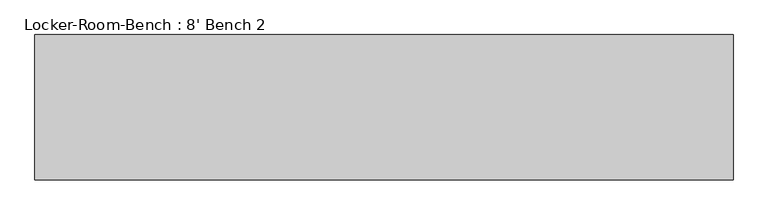
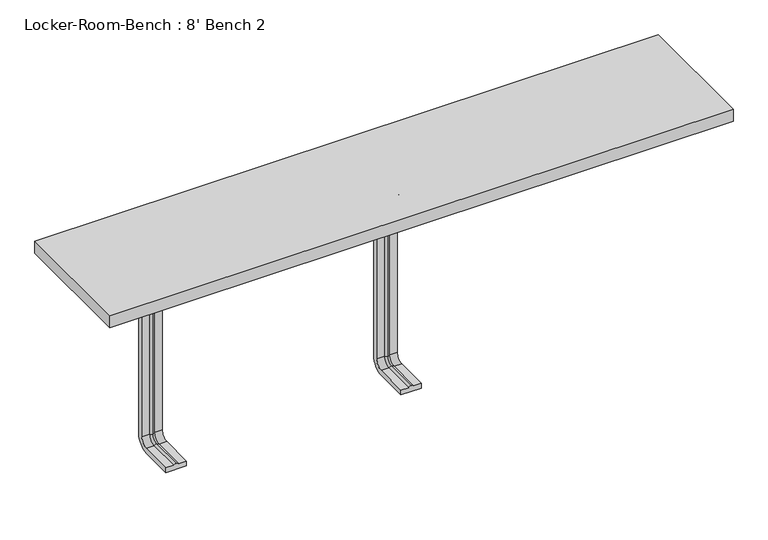
"""IFC4 building model written with IfcOpenShell, lengths in millimetres: proxy geometry, Locker-Room-Bench : 8' Bench 2."""

from ifc_helpers import new_model, si_unit, point, frame, origin, place, context, project, spatial, polyline, circle_curve, ellipse_curve, trimmed, outline, extrude, source, transform, mapped, element, save
from ifc_brep_helpers import plane_surface, cylinder_surface, revolved_surface, advanced_brep


def locker_room_bench_8_bench_2_20eed866(model_context):
    return source(origin(), model_context, "Body", "SolidModel", [
        advanced_brep(
        [(-439.6, -92.0, 381.4), (-479.6, -92.0, 381.4), (-479.6, -92.0, 371.4), (-464.6, -92.0, 371.4), (-459.6, -92.0, 369.0684617), (-454.6, -92.0, 371.4), (-439.6, -92.0, 371.4), (-439.6, -25.0, 381.4), (-479.6, -25.0, 381.4), (-479.6, 0.0, 356.4), (-479.6, 0.0, 40.0), (-479.6, -25.0, 15.0), (-479.6, -92.0, 15.0), (-479.6, -92.0, 25.0), (-479.6, -25.0, 25.0), (-479.6, -10.0, 40.0), (-479.6, -10.0, 356.4), (-479.6, -25.0, 371.4), (-464.6, -25.0, 371.4), (-459.6, -25.0, 369.0684617), (-454.6, -25.0, 371.4), (-439.6, -25.0, 371.4), (-439.6, -10.0, 356.4), (-439.6, -10.0, 40.0), (-439.6, -25.0, 25.0), (-439.6, -92.0, 25.0), (-439.6, -92.0, 15.0), (-439.6, -25.0, 15.0), (-439.6, 0.0, 40.0), (-439.6, 0.0, 356.4), (-464.6, -10.0, 356.4), (-459.6, -12.3315383, 356.4), (-454.6, -10.0, 356.4), (-464.6, -10.0, 40.0), (-459.6, -12.3315383, 40.0), (-454.6, -10.0, 40.0), (-464.6, -25.0, 25.0), (-459.6, -25.0, 27.3315383), (-454.6, -25.0, 25.0), (-454.6, -92.0, 25.0), (-459.6, -92.0, 27.3315383), (-464.6, -92.0, 25.0)],
        [
            (0, 1),
            (1, 2),
            (2, 3),
            (3, 4, circle_curve(frame((-459.8996409, -92.0, 374.9529162), z_axis=(0.0, -1.0, 0.0), x_axis=(0.0, 0.0, 1.0)), 5.8920785)),
            (4, 5, circle_curve(frame((-459.3003591, -92.0, 374.9529162), z_axis=(0.0, -1.0, 0.0), x_axis=(0.0, 0.0, 1.0)), 5.8920785)),
            (5, 6),
            (6, 0),
            (0, 7),
            (7, 8),
            (8, 1),
            (8, 9, circle_curve(frame((-479.6, -25.0, 356.4), z_axis=(-1.0, 0.0, 0.0), x_axis=(0.0, 0.0, 1.0)), 25.0)),
            (9, 10),
            (10, 11, circle_curve(frame((-479.6, -25.0, 40.0), z_axis=(-1.0, 0.0, 0.0), x_axis=(0.0, 1.0, 0.0)), 25.0)),
            (11, 12),
            (12, 13),
            (13, 14),
            (14, 15, circle_curve(frame((-479.6, -25.0, 40.0), z_axis=(1.0, 0.0, 0.0), x_axis=(0.0, 1.0, 0.0)), 15.0)),
            (15, 16),
            (16, 17, circle_curve(frame((-479.6, -25.0, 356.4), z_axis=(1.0, 0.0, 0.0), x_axis=(0.0, 0.0, 1.0)), 15.0)),
            (17, 2),
            (17, 18),
            (18, 3),
            (18, 19, circle_curve(frame((-459.8996409, -25.0, 374.9529162), z_axis=(0.0, -1.0, 0.0), x_axis=(0.0, 0.0, 1.0)), 5.8920785)),
            (19, 4),
            (19, 20, circle_curve(frame((-459.3003591, -25.0, 374.9529162), z_axis=(0.0, -1.0, 0.0), x_axis=(0.0, 0.0, 1.0)), 5.8920785)),
            (20, 5),
            (20, 21),
            (21, 6),
            (21, 22, circle_curve(frame((-439.6, -25.0, 356.4), z_axis=(-1.0, 0.0, 0.0), x_axis=(0.0, 0.0, 1.0)), 15.0)),
            (22, 23),
            (23, 24, circle_curve(frame((-439.6, -25.0, 40.0), z_axis=(-1.0, 0.0, 0.0), x_axis=(0.0, 1.0, 0.0)), 15.0)),
            (24, 25),
            (25, 26),
            (26, 27),
            (27, 28, circle_curve(frame((-439.6, -25.0, 40.0), z_axis=(1.0, 0.0, 0.0), x_axis=(0.0, 1.0, 0.0)), 25.0)),
            (28, 29),
            (29, 7, circle_curve(frame((-439.6, -25.0, 356.4), z_axis=(1.0, 0.0, 0.0), x_axis=(0.0, 0.0, 1.0)), 25.0)),
            (29, 9),
            (30, 18, circle_curve(frame((-464.6, -25.0, 356.4), z_axis=(1.0, 0.0, 0.0), x_axis=(0.0, 0.0, 1.0)), 15.0)),
            (16, 30),
            (31, 19, circle_curve(frame((-459.6, -25.0, 356.4), z_axis=(1.0, 0.0, 0.0), x_axis=(0.0, 0.0, 1.0)), 12.6684617)),
            (30, 31, circle_curve(frame((-459.8996409, -6.4470838, 356.4), z_axis=(0.0, 0.0, 1.0), x_axis=(0.0, 1.0, 0.0)), 5.8920785)),
            (32, 20, circle_curve(frame((-454.6, -25.0, 356.4), z_axis=(1.0, 0.0, 0.0), x_axis=(0.0, 0.0, 1.0)), 15.0)),
            (31, 32, circle_curve(frame((-459.3003591, -6.4470838, 356.4), z_axis=(0.0, 0.0, 1.0), x_axis=(0.0, 1.0, 0.0)), 5.8920785)),
            (32, 22),
            (28, 10),
            (15, 33),
            (33, 30),
            (33, 34, circle_curve(frame((-459.8996409, -6.4470838, 40.0), z_axis=(0.0, 0.0, 1.0), x_axis=(0.0, 1.0, 0.0)), 5.8920785)),
            (34, 31),
            (34, 35, circle_curve(frame((-459.3003591, -6.4470838, 40.0), z_axis=(0.0, 0.0, 1.0), x_axis=(0.0, 1.0, 0.0)), 5.8920785)),
            (35, 32),
            (35, 23),
            (27, 11),
            (36, 33, circle_curve(frame((-464.6, -25.0, 40.0), z_axis=(1.0, 0.0, 0.0), x_axis=(0.0, 1.0, 0.0)), 15.0)),
            (14, 36),
            (37, 34, circle_curve(frame((-459.6, -25.0, 40.0), z_axis=(1.0, 0.0, 0.0), x_axis=(0.0, 1.0, 0.0)), 12.6684617)),
            (36, 37, circle_curve(frame((-459.8996409, -25.0, 21.4470838), z_axis=(0.0, 1.0, 0.0), x_axis=(0.0, 0.0, -1.0)), 5.8920785)),
            (38, 35, circle_curve(frame((-454.6, -25.0, 40.0), z_axis=(1.0, 0.0, 0.0), x_axis=(0.0, 1.0, 0.0)), 15.0)),
            (37, 38, circle_curve(frame((-459.3003591, -25.0, 21.4470838), z_axis=(0.0, 1.0, 0.0), x_axis=(0.0, 0.0, -1.0)), 5.8920785)),
            (38, 24),
            (25, 39),
            (39, 40, circle_curve(frame((-459.3003591, -92.0, 21.4470838), z_axis=(0.0, -1.0, 0.0), x_axis=(0.0, 0.0, -1.0)), 5.8920785)),
            (40, 41, circle_curve(frame((-459.8996409, -92.0, 21.4470838), z_axis=(0.0, -1.0, 0.0), x_axis=(0.0, 0.0, -1.0)), 5.8920785)),
            (41, 13),
            (12, 26),
            (41, 36),
            (40, 37),
            (39, 38),
        ],
        [
            plane_surface(frame((-459.6, -92.0, 381.4), z_axis=(0.0, -1.0, 0.0), x_axis=(1.0, 0.0, 0.0))),
            plane_surface(frame((-439.6, -92.0, 381.4), z_axis=(0.0, 0.0, 1.0), x_axis=(0.0, 1.0, 0.0))),
            plane_surface(frame((-479.6, -92.0, 381.4), z_axis=(-1.0, 0.0, 0.0), x_axis=(0.0, 1.0, 0.0))),
            plane_surface(frame((-479.6, -92.0, 371.4), z_axis=(0.0, 0.0, -1.0), x_axis=(0.0, 1.0, 0.0))),
            cylinder_surface(frame((-459.8996409, -92.0, 374.9529162), z_axis=(0.0, -1.0, 0.0), x_axis=(0.0, 0.0, 1.0)), 5.8920785),
            cylinder_surface(frame((-459.3003591, -92.0, 374.9529162), z_axis=(0.0, -1.0, 0.0), x_axis=(0.0, 0.0, 1.0)), 5.8920785),
            plane_surface(frame((-454.6, -92.0, 371.4), z_axis=(0.0, 0.0, -1.0), x_axis=(0.0, 1.0, 0.0))),
            plane_surface(frame((-439.6, -92.0, 371.4), z_axis=(1.0, 0.0, 0.0), x_axis=(0.0, 1.0, 0.0))),
            cylinder_surface(frame((-459.6, -25.0, 356.4), z_axis=(-1.0, 0.0, 0.0), x_axis=(0.0, 0.0, 1.0)), 25.0),
            revolved_surface(polyline([(-479.6, -25.0, 371.4), (-464.6, -25.0, 371.4)]), (-459.6, -25.0, 356.4), (-1.0, 0.0, 0.0)),
            revolved_surface(trimmed(ellipse_curve(frame((-459.8996409, -25.0, 374.9529162), z_axis=(0.0, -1.0, 0.0), x_axis=(0.0, 0.0, 1.0)), 5.8920785, 5.8920785), [point((-464.6, -25.0, 371.4))], [point((-459.6, -25.0, 369.0684617))], True, "CARTESIAN"), (-459.6, -25.0, 356.4), (-1.0, 0.0, 0.0)),
            revolved_surface(trimmed(ellipse_curve(frame((-459.3003591, -25.0, 374.9529162), z_axis=(0.0, -1.0, 0.0), x_axis=(0.0, 0.0, 1.0)), 5.8920785, 5.8920785), [point((-459.6, -25.0, 369.0684617))], [point((-454.6, -25.0, 371.4))], True, "CARTESIAN"), (-459.6, -25.0, 356.4), (-1.0, 0.0, 0.0)),
            revolved_surface(polyline([(-454.6, -25.0, 371.4), (-439.6, -25.0, 371.4)]), (-459.6, -25.0, 356.4), (-1.0, 0.0, 0.0)),
            plane_surface(frame((-439.6, 0.0, 356.4), z_axis=(0.0, 1.0, 0.0), x_axis=(0.0, 0.0, -1.0))),
            plane_surface(frame((-479.6, -10.0, 356.4), z_axis=(0.0, -1.0, 0.0), x_axis=(0.0, 0.0, -1.0))),
            cylinder_surface(frame((-459.8996409, -6.4470838, 356.4), z_axis=(0.0, 0.0, 1.0), x_axis=(0.0, 1.0, 0.0)), 5.8920785),
            cylinder_surface(frame((-459.3003591, -6.4470838, 356.4), z_axis=(0.0, 0.0, 1.0), x_axis=(0.0, 1.0, 0.0)), 5.8920785),
            plane_surface(frame((-454.6, -10.0, 356.4), z_axis=(0.0, -1.0, 0.0), x_axis=(0.0, 0.0, -1.0))),
            cylinder_surface(frame((-459.6, -25.0, 40.0), z_axis=(-1.0, 0.0, 0.0), x_axis=(0.0, 1.0, 0.0)), 25.0),
            revolved_surface(polyline([(-479.6, -10.0, 40.0), (-464.6, -10.0, 40.0)]), (-459.6, -25.0, 40.0), (-1.0, 0.0, 0.0)),
            revolved_surface(trimmed(ellipse_curve(frame((-459.8996409, -6.4470838, 40.0), z_axis=(0.0, 0.0, 1.0), x_axis=(0.0, 1.0, 0.0)), 5.8920785, 5.8920785), [point((-464.6, -10.0, 40.0))], [point((-459.6, -12.3315383, 40.0))], True, "CARTESIAN"), (-459.6, -25.0, 40.0), (-1.0, 0.0, 0.0)),
            revolved_surface(trimmed(ellipse_curve(frame((-459.3003591, -6.4470838, 40.0), z_axis=(0.0, 0.0, 1.0), x_axis=(0.0, 1.0, 0.0)), 5.8920785, 5.8920785), [point((-459.6, -12.3315383, 40.0))], [point((-454.6, -10.0, 40.0))], True, "CARTESIAN"), (-459.6, -25.0, 40.0), (-1.0, 0.0, 0.0)),
            revolved_surface(polyline([(-454.6, -10.0, 40.0), (-439.6, -10.0, 40.0)]), (-459.6, -25.0, 40.0), (-1.0, 0.0, 0.0)),
            plane_surface(frame((-459.6, -92.0, 15.0), z_axis=(0.0, -1.0, 0.0), x_axis=(1.0, 0.0, 0.0))),
            plane_surface(frame((-439.6, -25.0, 15.0), z_axis=(0.0, 0.0, -1.0), x_axis=(0.0, -1.0, 0.0))),
            plane_surface(frame((-479.6, -25.0, 25.0), z_axis=(0.0, 0.0, 1.0), x_axis=(0.0, -1.0, 0.0))),
            cylinder_surface(frame((-459.8996409, -25.0, 21.4470838), z_axis=(0.0, 1.0, 0.0), x_axis=(0.0, 0.0, -1.0)), 5.8920785),
            cylinder_surface(frame((-459.3003591, -25.0, 21.4470838), z_axis=(0.0, 1.0, 0.0), x_axis=(0.0, 0.0, -1.0)), 5.8920785),
            plane_surface(frame((-454.6, -25.0, 25.0), z_axis=(0.0, 0.0, 1.0), x_axis=(0.0, -1.0, 0.0))),
        ],
        [
            (0, [[1, 2, 3, 4, 5, 6, 7]]),
            (1, [[-1, 8, 9, 10]]),
            (2, [[-2, -10, 11, 12, 13, 14, 15, 16, 17, 18, 19, 20]]),
            (3, [[-3, -20, 21, 22]]),
            (4, [[-4, -22, 23, 24]]),
            (5, [[-5, -24, 25, 26]]),
            (6, [[-6, -26, 27, 28]]),
            (7, [[-7, -28, 29, 30, 31, 32, 33, 34, 35, 36, 37, -8]]),
            (8, [[-11, -9, -37, 38]]),
            (9, [[39, -21, -19, 40]]),
            (10, [[41, -23, -39, 42]]),
            (11, [[43, -25, -41, 44]]),
            (12, [[-29, -27, -43, 45]]),
            (13, [[-38, -36, 46, -12]]),
            (14, [[-40, -18, 47, 48]]),
            (15, [[-42, -48, 49, 50]]),
            (16, [[-44, -50, 51, 52]]),
            (17, [[-45, -52, 53, -30]]),
            (18, [[-13, -46, -35, 54]]),
            (19, [[55, -47, -17, 56]]),
            (20, [[57, -49, -55, 58]]),
            (21, [[59, -51, -57, 60]]),
            (22, [[-31, -53, -59, 61]]),
            (23, [[-33, 62, 63, 64, 65, -15, 66]]),
            (24, [[-54, -34, -66, -14]]),
            (25, [[-56, -16, -65, 67]]),
            (26, [[-58, -67, -64, 68]]),
            (27, [[-60, -68, -63, 69]]),
            (28, [[-61, -69, -62, -32]]),
        ],
    ),
        advanced_brep(
        [(20.0, -92.0, 381.4), (-20.0, -92.0, 381.4), (-20.0, -92.0, 371.4), (-5.0, -92.0, 371.4), (0.0, -92.0, 369.0684617), (5.0, -92.0, 371.4), (20.0, -92.0, 371.4), (20.0, -25.0, 381.4), (-20.0, -25.0, 381.4), (-20.0, 0.0, 356.4), (-20.0, 0.0, 40.0), (-20.0, -25.0, 15.0), (-20.0, -92.0, 15.0), (-20.0, -92.0, 25.0), (-20.0, -25.0, 25.0), (-20.0, -10.0, 40.0), (-20.0, -10.0, 356.4), (-20.0, -25.0, 371.4), (-5.0, -25.0, 371.4), (0.0, -25.0, 369.0684617), (5.0, -25.0, 371.4), (20.0, -25.0, 371.4), (20.0, -10.0, 356.4), (20.0, -10.0, 40.0), (20.0, -25.0, 25.0), (20.0, -92.0, 25.0), (20.0, -92.0, 15.0), (20.0, -25.0, 15.0), (20.0, 0.0, 40.0), (20.0, 0.0, 356.4), (-5.0, -10.0, 356.4), (0.0, -12.3315383, 356.4), (5.0, -10.0, 356.4), (-5.0, -10.0, 40.0), (0.0, -12.3315383, 40.0), (5.0, -10.0, 40.0), (-5.0, -25.0, 25.0), (0.0, -25.0, 27.3315383), (5.0, -25.0, 25.0), (5.0, -92.0, 25.0), (0.0, -92.0, 27.3315383), (-5.0, -92.0, 25.0)],
        [
            (0, 1),
            (1, 2),
            (2, 3),
            (3, 4, circle_curve(frame((-0.2996409, -92.0, 374.9529162), z_axis=(0.0, -1.0, 0.0), x_axis=(0.0, 0.0, 1.0)), 5.8920785)),
            (4, 5, circle_curve(frame((0.2996409, -92.0, 374.9529162), z_axis=(0.0, -1.0, 0.0), x_axis=(0.0, 0.0, 1.0)), 5.8920785)),
            (5, 6),
            (6, 0),
            (0, 7),
            (7, 8),
            (8, 1),
            (8, 9, circle_curve(frame((-20.0, -25.0, 356.4), z_axis=(-1.0, 0.0, 0.0), x_axis=(0.0, 0.0, 1.0)), 25.0)),
            (9, 10),
            (10, 11, circle_curve(frame((-20.0, -25.0, 40.0), z_axis=(-1.0, 0.0, 0.0), x_axis=(0.0, 1.0, 0.0)), 25.0)),
            (11, 12),
            (12, 13),
            (13, 14),
            (14, 15, circle_curve(frame((-20.0, -25.0, 40.0), z_axis=(1.0, 0.0, 0.0), x_axis=(0.0, 1.0, 0.0)), 15.0)),
            (15, 16),
            (16, 17, circle_curve(frame((-20.0, -25.0, 356.4), z_axis=(1.0, 0.0, 0.0), x_axis=(0.0, 0.0, 1.0)), 15.0)),
            (17, 2),
            (17, 18),
            (18, 3),
            (18, 19, circle_curve(frame((-0.2996409, -25.0, 374.9529162), z_axis=(0.0, -1.0, 0.0), x_axis=(0.0, 0.0, 1.0)), 5.8920785)),
            (19, 4),
            (19, 20, circle_curve(frame((0.2996409, -25.0, 374.9529162), z_axis=(0.0, -1.0, 0.0), x_axis=(0.0, 0.0, 1.0)), 5.8920785)),
            (20, 5),
            (20, 21),
            (21, 6),
            (21, 22, circle_curve(frame((20.0, -25.0, 356.4), z_axis=(-1.0, 0.0, 0.0), x_axis=(0.0, 0.0, 1.0)), 15.0)),
            (22, 23),
            (23, 24, circle_curve(frame((20.0, -25.0, 40.0), z_axis=(-1.0, 0.0, 0.0), x_axis=(0.0, 1.0, 0.0)), 15.0)),
            (24, 25),
            (25, 26),
            (26, 27),
            (27, 28, circle_curve(frame((20.0, -25.0, 40.0), z_axis=(1.0, 0.0, 0.0), x_axis=(0.0, 1.0, 0.0)), 25.0)),
            (28, 29),
            (29, 7, circle_curve(frame((20.0, -25.0, 356.4), z_axis=(1.0, 0.0, 0.0), x_axis=(0.0, 0.0, 1.0)), 25.0)),
            (29, 9),
            (30, 18, circle_curve(frame((-5.0, -25.0, 356.4), z_axis=(1.0, 0.0, 0.0), x_axis=(0.0, 0.0, 1.0)), 15.0)),
            (16, 30),
            (31, 19, circle_curve(frame((0.0, -25.0, 356.4), z_axis=(1.0, 0.0, 0.0), x_axis=(0.0, 0.0, 1.0)), 12.6684617)),
            (30, 31, circle_curve(frame((-0.2996409, -6.4470838, 356.4), z_axis=(0.0, 0.0, 1.0), x_axis=(0.0, 1.0, 0.0)), 5.8920785)),
            (32, 20, circle_curve(frame((5.0, -25.0, 356.4), z_axis=(1.0, 0.0, 0.0), x_axis=(0.0, 0.0, 1.0)), 15.0)),
            (31, 32, circle_curve(frame((0.2996409, -6.4470838, 356.4), z_axis=(0.0, 0.0, 1.0), x_axis=(0.0, 1.0, 0.0)), 5.8920785)),
            (32, 22),
            (28, 10),
            (15, 33),
            (33, 30),
            (33, 34, circle_curve(frame((-0.2996409, -6.4470838, 40.0), z_axis=(0.0, 0.0, 1.0), x_axis=(0.0, 1.0, 0.0)), 5.8920785)),
            (34, 31),
            (34, 35, circle_curve(frame((0.2996409, -6.4470838, 40.0), z_axis=(0.0, 0.0, 1.0), x_axis=(0.0, 1.0, 0.0)), 5.8920785)),
            (35, 32),
            (35, 23),
            (27, 11),
            (36, 33, circle_curve(frame((-5.0, -25.0, 40.0), z_axis=(1.0, 0.0, 0.0), x_axis=(0.0, 1.0, 0.0)), 15.0)),
            (14, 36),
            (37, 34, circle_curve(frame((0.0, -25.0, 40.0), z_axis=(1.0, 0.0, 0.0), x_axis=(0.0, 1.0, 0.0)), 12.6684617)),
            (36, 37, circle_curve(frame((-0.2996409, -25.0, 21.4470838), z_axis=(0.0, 1.0, 0.0), x_axis=(0.0, 0.0, -1.0)), 5.8920785)),
            (38, 35, circle_curve(frame((5.0, -25.0, 40.0), z_axis=(1.0, 0.0, 0.0), x_axis=(0.0, 1.0, 0.0)), 15.0)),
            (37, 38, circle_curve(frame((0.2996409, -25.0, 21.4470838), z_axis=(0.0, 1.0, 0.0), x_axis=(0.0, 0.0, -1.0)), 5.8920785)),
            (38, 24),
            (25, 39),
            (39, 40, circle_curve(frame((0.2996409, -92.0, 21.4470838), z_axis=(0.0, -1.0, 0.0), x_axis=(0.0, 0.0, -1.0)), 5.8920785)),
            (40, 41, circle_curve(frame((-0.2996409, -92.0, 21.4470838), z_axis=(0.0, -1.0, 0.0), x_axis=(0.0, 0.0, -1.0)), 5.8920785)),
            (41, 13),
            (12, 26),
            (41, 36),
            (40, 37),
            (39, 38),
        ],
        [
            plane_surface(frame((0.0, -92.0, 381.4), z_axis=(0.0, -1.0, 0.0), x_axis=(1.0, 0.0, 0.0))),
            plane_surface(frame((20.0, -92.0, 381.4), z_axis=(0.0, 0.0, 1.0), x_axis=(0.0, 1.0, 0.0))),
            plane_surface(frame((-20.0, -92.0, 381.4), z_axis=(-1.0, 0.0, 0.0), x_axis=(0.0, 1.0, 0.0))),
            plane_surface(frame((-20.0, -92.0, 371.4), z_axis=(0.0, 0.0, -1.0), x_axis=(0.0, 1.0, 0.0))),
            cylinder_surface(frame((-0.2996409, -92.0, 374.9529162), z_axis=(0.0, -1.0, 0.0), x_axis=(0.0, 0.0, 1.0)), 5.8920785),
            cylinder_surface(frame((0.2996409, -92.0, 374.9529162), z_axis=(0.0, -1.0, 0.0), x_axis=(0.0, 0.0, 1.0)), 5.8920785),
            plane_surface(frame((5.0, -92.0, 371.4), z_axis=(0.0, 0.0, -1.0), x_axis=(0.0, 1.0, 0.0))),
            plane_surface(frame((20.0, -92.0, 371.4), z_axis=(1.0, 0.0, 0.0), x_axis=(0.0, 1.0, 0.0))),
            cylinder_surface(frame((0.0, -25.0, 356.4), z_axis=(-1.0, 0.0, 0.0), x_axis=(0.0, 0.0, 1.0)), 25.0),
            revolved_surface(polyline([(-20.0, -25.0, 371.4), (-5.0, -25.0, 371.4)]), (0.0, -25.0, 356.4), (-1.0, 0.0, 0.0)),
            revolved_surface(trimmed(ellipse_curve(frame((-0.2996409, -25.0, 374.9529162), z_axis=(0.0, -1.0, 0.0), x_axis=(0.0, 0.0, 1.0)), 5.8920785, 5.8920785), [point((-5.0, -25.0, 371.4))], [point((0.0, -25.0, 369.0684617))], True, "CARTESIAN"), (0.0, -25.0, 356.4), (-1.0, 0.0, 0.0)),
            revolved_surface(trimmed(ellipse_curve(frame((0.2996409, -25.0, 374.9529162), z_axis=(0.0, -1.0, 0.0), x_axis=(0.0, 0.0, 1.0)), 5.8920785, 5.8920785), [point((0.0, -25.0, 369.0684617))], [point((5.0, -25.0, 371.4))], True, "CARTESIAN"), (0.0, -25.0, 356.4), (-1.0, 0.0, 0.0)),
            revolved_surface(polyline([(5.0, -25.0, 371.4), (20.0, -25.0, 371.4)]), (0.0, -25.0, 356.4), (-1.0, 0.0, 0.0)),
            plane_surface(frame((20.0, 0.0, 356.4), z_axis=(0.0, 1.0, 0.0), x_axis=(0.0, 0.0, -1.0))),
            plane_surface(frame((-20.0, -10.0, 356.4), z_axis=(0.0, -1.0, 0.0), x_axis=(0.0, 0.0, -1.0))),
            cylinder_surface(frame((-0.2996409, -6.4470838, 356.4), z_axis=(0.0, 0.0, 1.0), x_axis=(0.0, 1.0, 0.0)), 5.8920785),
            cylinder_surface(frame((0.2996409, -6.4470838, 356.4), z_axis=(0.0, 0.0, 1.0), x_axis=(0.0, 1.0, 0.0)), 5.8920785),
            plane_surface(frame((5.0, -10.0, 356.4), z_axis=(0.0, -1.0, 0.0), x_axis=(0.0, 0.0, -1.0))),
            cylinder_surface(frame((0.0, -25.0, 40.0), z_axis=(-1.0, 0.0, 0.0), x_axis=(0.0, 1.0, 0.0)), 25.0),
            revolved_surface(polyline([(-20.0, -10.0, 40.0), (-5.0, -10.0, 40.0)]), (0.0, -25.0, 40.0), (-1.0, 0.0, 0.0)),
            revolved_surface(trimmed(ellipse_curve(frame((-0.2996409, -6.4470838, 40.0), z_axis=(0.0, 0.0, 1.0), x_axis=(0.0, 1.0, 0.0)), 5.8920785, 5.8920785), [point((-5.0, -10.0, 40.0))], [point((0.0, -12.3315383, 40.0))], True, "CARTESIAN"), (0.0, -25.0, 40.0), (-1.0, 0.0, 0.0)),
            revolved_surface(trimmed(ellipse_curve(frame((0.2996409, -6.4470838, 40.0), z_axis=(0.0, 0.0, 1.0), x_axis=(0.0, 1.0, 0.0)), 5.8920785, 5.8920785), [point((0.0, -12.3315383, 40.0))], [point((5.0, -10.0, 40.0))], True, "CARTESIAN"), (0.0, -25.0, 40.0), (-1.0, 0.0, 0.0)),
            revolved_surface(polyline([(5.0, -10.0, 40.0), (20.0, -10.0, 40.0)]), (0.0, -25.0, 40.0), (-1.0, 0.0, 0.0)),
            plane_surface(frame((0.0, -92.0, 15.0), z_axis=(0.0, -1.0, 0.0), x_axis=(1.0, 0.0, 0.0))),
            plane_surface(frame((20.0, -25.0, 15.0), z_axis=(0.0, 0.0, -1.0), x_axis=(0.0, -1.0, 0.0))),
            plane_surface(frame((-20.0, -25.0, 25.0), z_axis=(0.0, 0.0, 1.0), x_axis=(0.0, -1.0, 0.0))),
            cylinder_surface(frame((-0.2996409, -25.0, 21.4470838), z_axis=(0.0, 1.0, 0.0), x_axis=(0.0, 0.0, -1.0)), 5.8920785),
            cylinder_surface(frame((0.2996409, -25.0, 21.4470838), z_axis=(0.0, 1.0, 0.0), x_axis=(0.0, 0.0, -1.0)), 5.8920785),
            plane_surface(frame((5.0, -25.0, 25.0), z_axis=(0.0, 0.0, 1.0), x_axis=(0.0, -1.0, 0.0))),
        ],
        [
            (0, [[1, 2, 3, 4, 5, 6, 7]]),
            (1, [[-1, 8, 9, 10]]),
            (2, [[-2, -10, 11, 12, 13, 14, 15, 16, 17, 18, 19, 20]]),
            (3, [[-3, -20, 21, 22]]),
            (4, [[-4, -22, 23, 24]]),
            (5, [[-5, -24, 25, 26]]),
            (6, [[-6, -26, 27, 28]]),
            (7, [[-7, -28, 29, 30, 31, 32, 33, 34, 35, 36, 37, -8]]),
            (8, [[-11, -9, -37, 38]]),
            (9, [[39, -21, -19, 40]]),
            (10, [[41, -23, -39, 42]]),
            (11, [[43, -25, -41, 44]]),
            (12, [[-29, -27, -43, 45]]),
            (13, [[-38, -36, 46, -12]]),
            (14, [[-40, -18, 47, 48]]),
            (15, [[-42, -48, 49, 50]]),
            (16, [[-44, -50, 51, 52]]),
            (17, [[-45, -52, 53, -30]]),
            (18, [[-13, -46, -35, 54]]),
            (19, [[55, -47, -17, 56]]),
            (20, [[57, -49, -55, 58]]),
            (21, [[59, -51, -57, 60]]),
            (22, [[-31, -53, -59, 61]]),
            (23, [[-33, 62, 63, 64, 65, -15, 66]]),
            (24, [[-54, -34, -66, -14]]),
            (25, [[-56, -16, -65, 67]]),
            (26, [[-58, -67, -64, 68]]),
            (27, [[-60, -68, -63, 69]]),
            (28, [[-61, -69, -62, -32]]),
        ],
    ),
        extrude(outline(polyline([(609.6, 127.0), (609.6, -127.0), (-609.6, -127.0), (-609.6, 127.0), (609.6, 127.0)])), frame((0.0, 0.0, 381.4), z_axis=(0.0, 0.0, 1.0), x_axis=(1.0, 0.0, 0.0)), (0.0, 0.0, 1.0), 25.0),
    ])


if __name__ == "__main__":
    model = new_model("IFC4")
    model_context = context("Model", 3, world=origin())
    ifc_project = project(units=[si_unit("LENGTHUNIT", "METRE", prefix="MILLI")], contexts=[model_context])
    site = spatial("IfcSite", under=ifc_project)
    building = spatial("IfcBuilding", under=site)
    placement = place(None, origin())
    locker_room_bench_8_bench_2_shape = locker_room_bench_8_bench_2_20eed866(model_context)
    element("IfcBuildingElementProxy", 1, Name="Locker-Room-Bench : 8' Bench 2", ObjectType="Locker-Room-Bench : 8' Bench 2", at=placement, inside=building, context=model_context, shape_type="MappedRepresentation", body=[
        mapped(locker_room_bench_8_bench_2_shape, transform((0.0, 0.0, 0.0), x_axis=(1.0, 0.0, 0.0), y_axis=(0.0, 1.0, 0.0), z_axis=(0.0, 0.0, 1.0))),
    ])
    save(model, "model.ifc")
